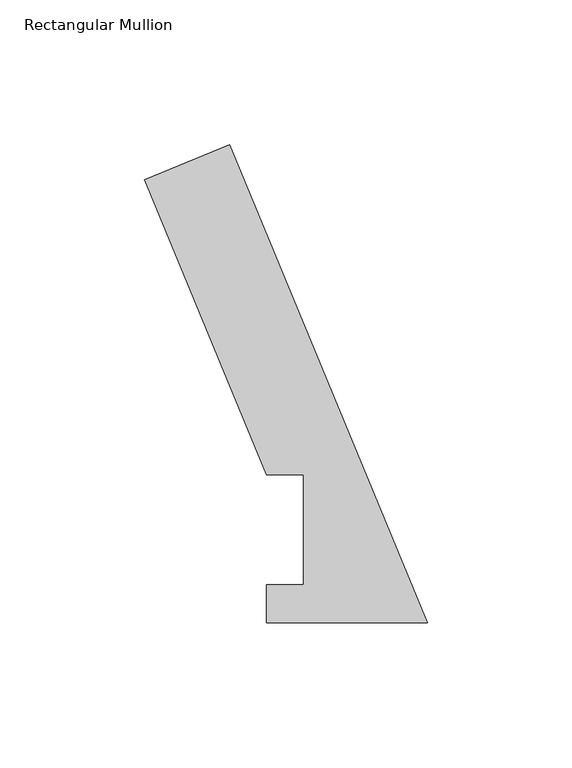
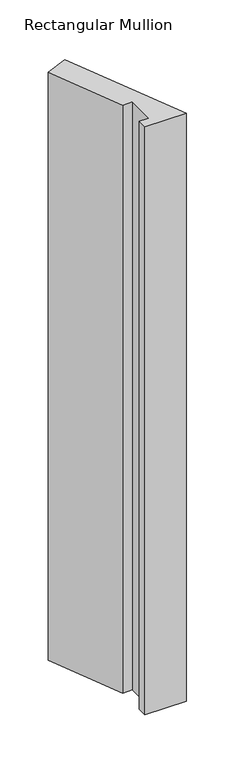
"""IFC4 building model written with IfcOpenShell, lengths in millimetres: member geometry, Rectangular Mullion."""

from ifc_helpers import new_model, si_unit, frame, origin, place, context, project, spatial, polyline, outline, extrude, source, transform, mapped, element, save


def rectangular_mullion_3a12b052(model_context):
    return source(origin(), model_context, "Body", "SweptSolid", [
        extrude(outline(polyline([(0.0, 0.060298), (-55.5640922, 0.060298), (-55.5640922, 13.2332912), (-42.8885138, 13.2332912), (-42.8885138, 51.2960937), (-55.5885138, 51.2960938), (-97.8128853, 153.2347441), (-68.4797102, 165.384943), (0.0, 0.060298)])), frame((0.0, 0.0, -838.1999996), z_axis=(0.0, 0.0, 1.0), x_axis=(1.0, 0.0, 0.0)), (0.0, 0.0, 1.0), 838.1999996),
    ])


if __name__ == "__main__":
    model = new_model("IFC4")
    model_context = context("Model", 3, world=origin())
    ifc_project = project(units=[si_unit("LENGTHUNIT", "METRE", prefix="MILLI")], contexts=[model_context])
    site = spatial("IfcSite", under=ifc_project)
    building = spatial("IfcBuilding", under=site)
    placement = place(None, origin())
    rectangular_mullion_shape = rectangular_mullion_3a12b052(model_context)
    element("IfcMember", 1, ObjectType="Rectangular Mullion", at=placement, inside=building, context=model_context, shape_type="MappedRepresentation", body=[
        mapped(rectangular_mullion_shape, transform((0.0, 0.0, 0.0), x_axis=(1.0, 0.0, 0.0), y_axis=(0.0, 1.0, 0.0), z_axis=(0.0, 0.0, 1.0))),
    ])
    save(model, "model.ifc")
